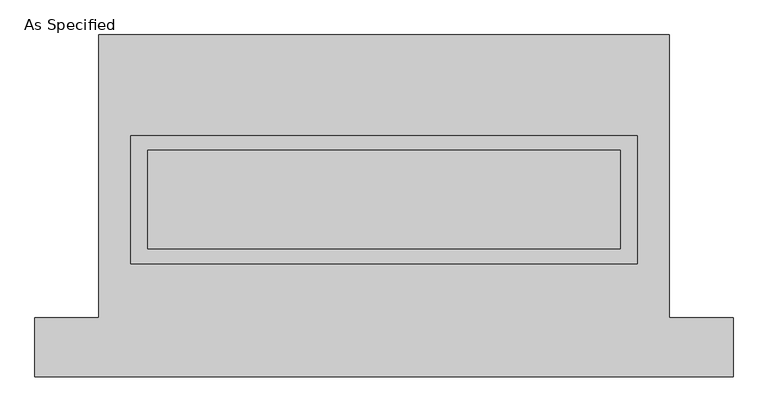
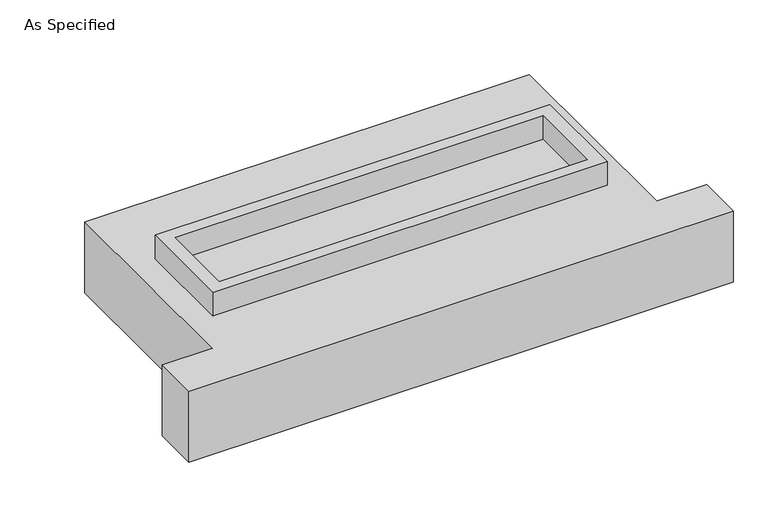
"""IFC4 building model written with IfcOpenShell, lengths in millimetres: proxy geometry, As Specified."""

from ifc_helpers import new_model, si_unit, frame, origin, place, context, project, spatial, polyline, outline, extrude, source, transform, mapped, element, save


def as_specified_8ed771b9(model_context):
    return source(origin(), model_context, "Body", "SweptSolid", [
        extrude(outline(polyline([(1308.1, 361.95), (1308.1, -298.45), (-1308.1, -298.45), (-1308.1, 361.95), (1308.1, 361.95)]), holes=[polyline([(1219.2, 285.75), (-1219.2, 285.75), (-1219.2, -222.25), (1219.2, -222.25), (1219.2, 285.75)])]), frame((0.0, 0.0, -688.975), z_axis=(0.0, 0.0, 1.0), x_axis=(1.0, 0.0, 0.0)), (0.0, 0.0, 1.0), 165.1),
        extrude(outline(polyline([(1308.1, 361.95), (1308.1, -298.45), (-1308.1, -298.45), (-1308.1, 361.95), (1308.1, 361.95)]), holes=[polyline([(1219.2, 285.75), (-1219.2, 285.75), (-1219.2, -222.25), (1219.2, -222.25), (1219.2, 285.75)])]), frame((0.0, 0.0, -25.4), z_axis=(0.0, 0.0, 1.0), x_axis=(1.0, 0.0, 0.0)), (0.0, 0.0, 1.0), 165.1),
        extrude(outline(polyline([(1219.2, 285.75), (1219.2, -222.25), (-1219.2, -222.25), (-1219.2, 285.75), (1219.2, 285.75)])), frame((0.0, 0.0, -523.875), z_axis=(0.0, 0.0, 1.0), x_axis=(1.0, 0.0, 0.0)), (0.0, 0.0, 1.0), 4.9609375),
        extrude(outline(polyline([(1219.2, 285.75), (1219.2, -222.25), (-1219.2, -222.25), (-1219.2, 285.75), (1219.2, 285.75)])), frame((0.0, 0.0, -30.3609375), z_axis=(0.0, 0.0, 1.0), x_axis=(1.0, 0.0, 0.0)), (0.0, 0.0, 1.0), 4.9609375),
        extrude(outline(polyline([(-1473.2, 882.65), (1473.2, 882.65), (1473.2, -577.85), (1803.4, -577.85), (1803.4, -882.65), (-1803.4, -882.65), (-1803.4, -577.85), (-1473.2, -577.85), (-1473.2, 882.65)]), holes=[polyline([(-1308.1, 361.95), (-1308.1, -298.45), (1308.1, -298.45), (1308.1, 361.95), (-1308.1, 361.95)])]), frame((0.0, 0.0, -523.875), z_axis=(0.0, 0.0, 1.0), x_axis=(1.0, 0.0, 0.0)), (0.0, 0.0, 1.0), 498.475),
    ])


if __name__ == "__main__":
    model = new_model("IFC4")
    model_context = context("Model", 3, world=origin())
    ifc_project = project(units=[si_unit("LENGTHUNIT", "METRE", prefix="MILLI")], contexts=[model_context])
    site = spatial("IfcSite", under=ifc_project)
    building = spatial("IfcBuilding", under=site)
    placement = place(None, origin())
    as_specified_shape = as_specified_8ed771b9(model_context)
    element("IfcBuildingElementProxy", 1, Name="As Specified", ObjectType="As Specified", at=placement, inside=building, context=model_context, shape_type="MappedRepresentation", body=[
        mapped(as_specified_shape, transform((0.0, 0.0, 0.0), x_axis=(1.0, 0.0, 0.0), y_axis=(0.0, 1.0, 0.0), z_axis=(0.0, 0.0, 1.0))),
    ])
    save(model, "model.ifc")
